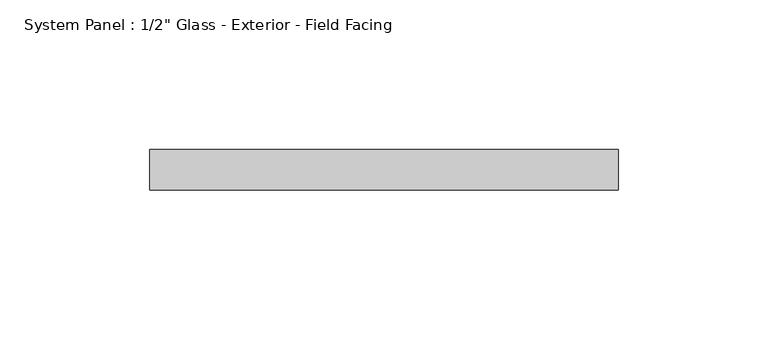
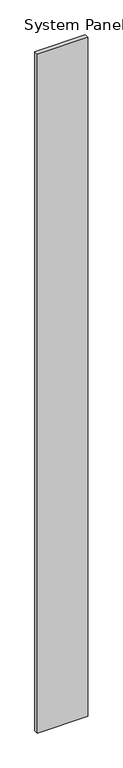
"""IFC4 building model written with IfcOpenShell, lengths in millimetres: plate geometry."""

from ifc_helpers import new_model, si_unit, origin, origin_with_axes, place, context, project, spatial, polyline, outline, extrude, source, transform, mapped, element, save


def plate_b3db7195(model_context):
    return source(origin(), model_context, "Body", "SweptSolid", [
        extrude(outline(polyline([(78.1299107, -11.55), (-78.1299107, -11.55), (-78.1299107, 1.95), (78.1299107, 1.95), (78.1299107, -11.55)])), origin_with_axes(), (0.0, 0.0, 1.0), 2223.15),
    ])


if __name__ == "__main__":
    model = new_model("IFC4")
    model_context = context("Model", 3, world=origin())
    ifc_project = project(units=[si_unit("LENGTHUNIT", "METRE", prefix="MILLI")], contexts=[model_context])
    site = spatial("IfcSite", under=ifc_project)
    building = spatial("IfcBuilding", under=site)
    placement = place(None, origin())
    plate_shape = plate_b3db7195(model_context)
    element("IfcPlate", 1, ObjectType="System Panel : 1/2\" Glass - Exterior - Field Facing", at=placement, inside=building, context=model_context, shape_type="MappedRepresentation", body=[
        mapped(plate_shape, transform((0.0, 0.0, 0.0), x_axis=(1.0, 0.0, 0.0), y_axis=(0.0, 1.0, 0.0), z_axis=(0.0, 0.0, 1.0))),
    ])
    save(model, "model.ifc")
